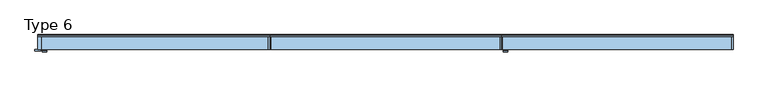
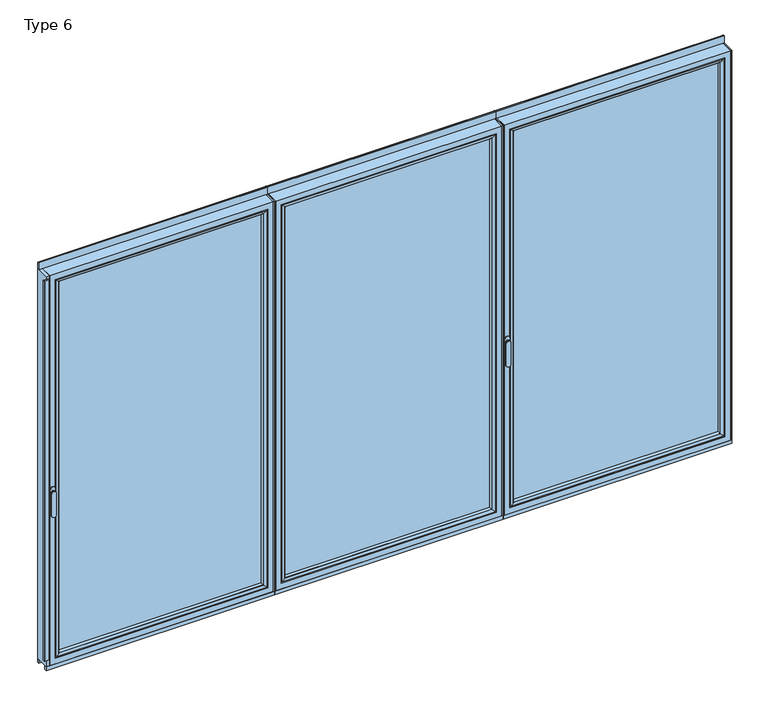
"""IFC4 building model written with IfcOpenShell, lengths in millimetres: window geometry, Type 6."""

from ifc_helpers import new_model, si_unit, point, frame, frame_2d, origin, place, context, project, spatial, polyline, circle_curve, ellipse_curve, trimmed, segment, composite_curve, outline, extrude, source, transform, mapped, element, save
from ifc_brep_helpers import plane_surface, cylinder_surface, extruded_surface, advanced_brep


def type_6_b4552ec0(model_context):
    return source(origin(), model_context, "Body", "SolidModel", [
        advanced_brep(
        [(47.9886473, -63.5, 1050.0), (24.0113857, -63.5, 1050.0), (47.9886473, -66.8965533, 1050.0), (24.0113857, -66.8965533, 1050.0), (47.9886473, -74.5, 1050.0), (24.0113857, -74.5, 1050.0), (24.0113857, -74.5, 918.6867153), (47.9886473, -74.5, 918.6867153), (47.9886473, -66.8965533, 918.6867153), (24.0113857, -66.8965533, 918.6867153)],
        [
            (0, 1, circle_curve(frame((36.0000165, -63.5, 1050.0), z_axis=(0.0, 1.0, 0.0), x_axis=(-1.0, 0.0, 0.0)), 11.9886308)),
            (1, 0, circle_curve(frame((36.0000165, -63.5, 1050.0), z_axis=(0.0, 1.0, 0.0), x_axis=(-1.0, 0.0, 0.0)), 11.9886308)),
            (0, 2),
            (2, 3, circle_curve(frame((36.0000165, -66.8965533, 1050.0), z_axis=(0.0, 1.0, 0.0), x_axis=(-1.0, 0.0, 0.0)), 11.9886308)),
            (3, 1),
            (3, 2, circle_curve(frame((36.0000165, -66.8965533, 1050.0), z_axis=(0.0, 1.0, 0.0), x_axis=(-1.0, 0.0, 0.0)), 11.9886308)),
            (4, 5, circle_curve(frame((36.0000165, -74.5, 1050.0), z_axis=(0.0, -1.0, 0.0), x_axis=(-1.0, 0.0, 0.0)), 11.9886308)),
            (5, 6),
            (6, 7, ellipse_curve(frame((36.0000165, -74.5, 918.6867153), z_axis=(0.0, -1.0, 0.0), x_axis=(1.0, 0.0, 0.0)), 11.9886308, 7.9050795)),
            (7, 4),
            (2, 8),
            (8, 9, ellipse_curve(frame((36.0000165, -66.8965533, 918.6867153), z_axis=(0.0, 1.0, 0.0), x_axis=(1.0, 0.0, 0.0)), 11.9886308, 7.9050795)),
            (9, 3),
            (7, 8),
            (2, 4),
            (6, 9),
            (5, 3),
        ],
        [
            plane_surface(frame((24.0113857, -63.5, 1050.0), z_axis=(0.0, 1.0, 0.0), x_axis=(0.0, 0.0, -1.0))),
            cylinder_surface(frame((36.0000165, -63.5, 1050.0), z_axis=(0.0, -1.0, 0.0), x_axis=(-1.0, 0.0, 0.0)), 11.9886308),
            plane_surface(frame((47.9886473, -74.5, 928.3382074), z_axis=(0.0, -1.0, 0.0), x_axis=(0.0, 0.0, -1.0))),
            plane_surface(frame((47.9886473, -66.8965533, 928.3382074), z_axis=(0.0, 1.0, 0.0), x_axis=(0.0, 0.0, 1.0))),
            plane_surface(frame((47.9886473, -74.5, 1050.0), z_axis=(1.0, 0.0, 0.0), x_axis=(0.0, 1.0, 0.0))),
            extruded_surface(trimmed(ellipse_curve(frame((36.0000165, -66.8965533, 918.6867153), z_axis=(0.0, 1.0, 0.0), x_axis=(1.0, 0.0, 0.0)), 11.9886308, 7.9050795), [point((47.9886473, -66.8965533, 918.6867153))], [point((24.0113857, -66.8965533, 918.6867153))], True, "CARTESIAN"), (0.0, 7.603446699999992, 0.0), 7.603446699999992),
            plane_surface(frame((24.0113857, -74.5, 918.6867153), z_axis=(-1.0, 0.0, 0.0), x_axis=(0.0, 1.0, 0.0))),
            cylinder_surface(frame((36.0000165, -66.8965533, 1050.0), z_axis=(0.0, -1.0, 0.0), x_axis=(-1.0, 0.0, 0.0)), 11.9886308),
        ],
        [
            (0, [[1, 2]]),
            (1, [[3, 4, 5, -1]]),
            (1, [[-5, 6, -3, -2]]),
            (2, [[7, 8, 9, 10]]),
            (3, [[-4, 11, 12, 13]]),
            (4, [[14, -11, 15, -10]]),
            (5, [[16, -12, -14, -9]]),
            (6, [[17, -13, -16, -8]]),
            (7, [[-15, -6, -17, -7]]),
        ],
    ),
        extrude(outline(composite_curve([segment(trimmed(circle_curve(frame_2d((1068.75, 36.0000165)), 14.0), [point((1068.75, 50.0000165))], [point((1068.75, 22.0000165))], False, "CARTESIAN"), True, "CONTINUOUS"), segment(polyline([(1068.75, 22.0000165), (1031.25, 22.0000165)]), True, "CONTINUOUS"), segment(trimmed(circle_curve(frame_2d((1031.25, 36.0000165)), 14.0), [point((1031.25, 22.0000165))], [point((1031.25, 50.0000165))], False, "CARTESIAN"), True, "CONTINUOUS"), segment(polyline([(1031.25, 50.0000165), (1068.75, 50.0000165)]), True, "CONTINUOUS")], self_intersect=False)), frame((0.0, -63.5, 0.0), z_axis=(0.0, 1.0, 0.0), x_axis=(0.0, 0.0, 1.0)), (0.0, 0.0, 1.0), 3.5),
        extrude(outline(composite_curve([segment(polyline([(15.5000165, -60.0), (15.5000165, -67.5)]), True, "CONTINUOUS"), segment(trimmed(circle_curve(frame_2d((13.0000165, -67.5)), 2.5), [point((15.5000165, -67.5))], [point((13.0000165, -70.0))], False, "CARTESIAN"), True, "CONTINUOUS"), segment(polyline([(13.0000165, -70.0), (-12.9999835, -70.0)]), True, "CONTINUOUS"), segment(trimmed(circle_curve(frame_2d((-12.9999835, -67.5)), 2.5), [point((-12.9999835, -70.0))], [point((-15.4999835, -67.5))], False, "CARTESIAN"), True, "CONTINUOUS"), segment(polyline([(-15.4999835, -67.5), (-15.4999835, -60.0), (15.5000165, -60.0)]), True, "CONTINUOUS")], self_intersect=False)), frame((0.0, 0.0, 80.0), z_axis=(0.0, 0.0, 1.0), x_axis=(1.0, 0.0, 0.0)), (0.0, 0.0, 1.0), 2230.0),
        extrude(outline(polyline([(1268.6666832, 20.0), (1268.6666832, -60.0), (1262.6666832, -60.0), (1262.6666832, 20.0), (1268.6666832, 20.0)])), frame((0.0, 0.0, 37.5), z_axis=(0.0, 0.0, 1.0), x_axis=(1.0, 0.0, 0.0)), (0.0, 0.0, 1.0), 2286.5),
        extrude(outline(polyline([(1.65e-05, 20.0), (20.0000165, 20.0), (20.0000165, -60.0), (1.65e-05, -60.0), (1.65e-05, 20.0)])), frame((0.0, 0.0, 37.5), z_axis=(0.0, 0.0, 1.0), x_axis=(1.0, 0.0, 0.0)), (0.0, 0.0, 1.0), 2286.5),
        advanced_brep(
        [(1262.6666832, -60.0, 2324.0), (1262.6666832, -60.0, 37.5), (1262.6666832, 20.0, 37.5), (1262.6666832, 20.0, 2324.0), (20.0000165, -60.0, 37.5), (20.0000165, 20.0, 37.5), (20.0000165, 20.0, 2324.0), (65.4996458, 20.0, 82.9996293), (1217.1670539, 20.0, 82.9996293), (1217.1670539, 20.0, 2278.5003707), (65.4996458, 20.0, 2278.5003707), (20.0000165, -60.0, 2324.0), (1230.6666832, -60.0, 69.5), (52.0000165, -60.0, 69.5), (52.0000165, -60.0, 2292.0), (1230.6666832, -60.0, 2292.0), (1230.6666832, 3.9999997, 2292.0), (1230.6666832, 3.9999997, 69.5), (52.0000165, 3.9999997, 69.5), (52.0000165, 3.9999997, 2292.0), (1212.6666712, 3.9999997, 87.500012), (70.0000285, 3.9999997, 87.500012), (70.0000285, 3.9999997, 2273.999988), (1212.6666712, 3.9999997, 2273.999988), (1212.6666712, 15.4995565, 2273.999988), (1212.6666712, 15.4995565, 87.500012), (70.0000285, 15.4995565, 87.500012), (70.0000285, 15.4995565, 2273.999988)],
        [
            (0, 1),
            (1, 2),
            (2, 3),
            (3, 0),
            (1, 4),
            (4, 5),
            (5, 2),
            (5, 6),
            (6, 3),
            (7, 8),
            (8, 9),
            (9, 10),
            (10, 7),
            (4, 11),
            (11, 6),
            (0, 11),
            (12, 13),
            (13, 14),
            (14, 15),
            (15, 12),
            (16, 17),
            (17, 12),
            (15, 16),
            (17, 18),
            (18, 13),
            (18, 19),
            (19, 14),
            (16, 19),
            (20, 21),
            (21, 22),
            (22, 23),
            (23, 20),
            (24, 25),
            (25, 20),
            (23, 24),
            (25, 26),
            (26, 21),
            (26, 27),
            (27, 22),
            (7, 26, ellipse_curve(frame((65.4996458, 15.4995565, 82.9996293), z_axis=(0.7071067811865475, 0.0, -0.7071067811865475), x_axis=(0.7071067811865476, 0.0, 0.7071067811865474)), 6.3645023, 4.5003827)),
            (25, 8, ellipse_curve(frame((1217.1670539, 15.4995565, 82.9996293), z_axis=(-0.7071067811865475, 0.0, -0.7071067811865475), x_axis=(0.7071067811865476, 0.0, -0.7071067811865474)), 6.3645023, 4.5003827)),
            (24, 9, ellipse_curve(frame((1217.1670539, 15.4995565, 2278.5003707), z_axis=(0.7071067811865475, 0.0, -0.7071067811865475), x_axis=(0.7071067811865474, 0.0, 0.7071067811865476)), 6.3645023, 4.5003827)),
            (10, 27, ellipse_curve(frame((65.4996458, 15.4995565, 2278.5003707), z_axis=(-0.7071067811865475, 0.0, -0.7071067811865475), x_axis=(0.7071067811865474, 0.0, -0.7071067811865476)), 6.3645023, 4.5003827)),
            (27, 24),
        ],
        [
            plane_surface(frame((1262.6666832, 20.0, 2324.0), z_axis=(1.0, 0.0, 0.0), x_axis=(0.0, 0.0, -1.0))),
            plane_surface(frame((1262.6666832, 20.0, 37.5), z_axis=(0.0, 0.0, -1.0), x_axis=(-1.0, 0.0, 0.0))),
            plane_surface(frame((1217.1670539, 20.0, 2278.5003707), z_axis=(0.0, 1.0, 0.0), x_axis=(0.0, 0.0, -1.0))),
            plane_surface(frame((20.0000165, 20.0, 37.5), z_axis=(-1.0, 0.0, 0.0), x_axis=(0.0, 0.0, 1.0))),
            plane_surface(frame((1262.6666832, -60.0, 2324.0), z_axis=(0.0, -1.0, 0.0), x_axis=(0.0, 0.0, -1.0))),
            plane_surface(frame((1230.6666832, -60.0, 2292.0), z_axis=(-1.0, 0.0, 0.0), x_axis=(0.0, 0.0, -1.0))),
            plane_surface(frame((1230.6666832, -60.0, 69.5), z_axis=(0.0, 0.0, 1.0), x_axis=(-1.0, 0.0, 0.0))),
            plane_surface(frame((52.0000165, -60.0, 69.5), z_axis=(1.0, 0.0, 0.0), x_axis=(0.0, 0.0, 1.0))),
            plane_surface(frame((1230.6666832, 3.9999997, 2292.0), z_axis=(0.0, -1.0, 0.0), x_axis=(0.0, 0.0, -1.0))),
            plane_surface(frame((1212.6666712, 3.9999997, 2273.999988), z_axis=(-1.0, 0.0, 0.0), x_axis=(0.0, 0.0, -1.0))),
            plane_surface(frame((1212.6666712, 3.9999997, 87.500012), z_axis=(0.0, 0.0, 1.0), x_axis=(-1.0, 0.0, 0.0))),
            plane_surface(frame((70.0000285, 3.9999997, 87.500012), z_axis=(1.0, 0.0, 0.0), x_axis=(0.0, 0.0, 1.0))),
            cylinder_surface(frame((1268.6666832, 15.4995565, 82.9996293), z_axis=(1.0, 0.0, 0.0), x_axis=(0.0, -1.0, 0.0)), 4.5003827),
            cylinder_surface(frame((1217.1670539, 15.4995565, 2330.0), z_axis=(0.0, 0.0, 1.0), x_axis=(0.0, -1.0, 0.0)), 4.5003827),
            cylinder_surface(frame((65.4996458, 15.4995565, 31.5), z_axis=(0.0, 0.0, -1.0), x_axis=(0.0, -1.0, 0.0)), 4.5003827),
            plane_surface(frame((20.0000165, 20.0, 2324.0), z_axis=(0.0, 0.0, 1.0), x_axis=(1.0, 0.0, 0.0))),
            plane_surface(frame((52.0000165, -60.0, 2292.0), z_axis=(0.0, 0.0, -1.0), x_axis=(1.0, 0.0, 0.0))),
            plane_surface(frame((70.0000285, 3.9999997, 2273.999988), z_axis=(0.0, 0.0, -1.0), x_axis=(1.0, 0.0, 0.0))),
            cylinder_surface(frame((14.0000165, 15.4995565, 2278.5003707), z_axis=(-1.0, 0.0, 0.0), x_axis=(0.0, -1.0, 0.0)), 4.5003827),
        ],
        [
            (0, [[1, 2, 3, 4]]),
            (1, [[5, 6, 7, -2]]),
            (2, [[-7, 8, 9, -3], [10, 11, 12, 13]]),
            (3, [[14, 15, -8, -6]]),
            (4, [[-5, -1, 16, -14], [17, 18, 19, 20]]),
            (5, [[21, 22, -20, 23]]),
            (6, [[24, 25, -17, -22]]),
            (7, [[26, 27, -18, -25]]),
            (8, [[-24, -21, 28, -26], [29, 30, 31, 32]]),
            (9, [[33, 34, -32, 35]]),
            (10, [[36, 37, -29, -34]]),
            (11, [[38, 39, -30, -37]]),
            (12, [[-10, 40, -36, 41]]),
            (13, [[-11, -41, -33, 42]]),
            (14, [[-13, 43, -38, -40]]),
            (15, [[-16, -4, -9, -15]]),
            (16, [[-28, -23, -19, -27]]),
            (17, [[44, -35, -31, -39]]),
            (18, [[-12, -42, -44, -43]]),
        ],
    ),
        extrude(outline(polyline([(1230.666366, 3.9999997), (1230.666366, -34.0000003), (52.0003337, -34.0000003), (52.0003337, 3.9999997), (1230.666366, 3.9999997)])), frame((0.0, 0.0, 69.5003172), z_axis=(0.0, 0.0, 1.0), x_axis=(1.0, 0.0, 0.0)), (0.0, 0.0, 1.0), 2222.4993657),
        advanced_brep(
        [(73.9999064, -54.5552044, 2270.0001101), (73.9999064, -54.5552044, 91.4998899), (73.9999064, -34.0000003, 91.4998899), (73.9999064, -34.0000003, 2270.0001101), (52.0003337, -34.0000003, 2291.9996828), (1230.666366, -34.0000003, 2291.9996828), (1230.666366, -34.0000003, 69.5003172), (52.0003337, -34.0000003, 69.5003172), (1208.6667933, -34.0000003, 2270.0001101), (1208.6667933, -34.0000003, 91.4998899), (1208.6667933, -54.5552044, 91.4998899), (73.290363, -55.8045072, 2270.7096535), (73.290363, -55.8045072, 90.7903465), (1209.3763367, -55.8045072, 90.7903465), (58.0002726, -60.0, 2285.9997439), (58.0002726, -60.0, 75.5002561), (1224.6664271, -60.0, 75.5002561), (1230.666366, -60.0, 2291.9996828), (52.0003337, -60.0, 2291.9996828), (52.0003337, -60.0, 69.5003172), (1230.666366, -60.0, 69.5003172), (1224.6664271, -60.0, 2285.9997439), (1208.6667933, -54.5552044, 2270.0001101), (1209.3763367, -55.8045072, 2270.7096535)],
        [
            (0, 1),
            (1, 2),
            (2, 3),
            (3, 0),
            (4, 5),
            (5, 6),
            (6, 7),
            (7, 4),
            (8, 3),
            (2, 9),
            (9, 8),
            (1, 10),
            (10, 9),
            (11, 12),
            (12, 1, ellipse_curve(frame((72.5453024, -54.5552044, 90.0452859), z_axis=(-0.7071067811865475, 0.0, 0.7071067811865475), x_axis=(0.7071067811865474, 0.0, 0.7071067811865476)), 2.0571207, 1.454604)),
            (0, 11, ellipse_curve(frame((72.5453024, -54.5552044, 2271.4547141), z_axis=(-0.7071067811865475, 0.0, -0.7071067811865475), x_axis=(-0.7071067811865474, 0.0, 0.7071067811865476)), 2.0571207, 1.454604)),
            (12, 13),
            (13, 10, ellipse_curve(frame((1210.1213972, -54.5552044, 90.0452859), z_axis=(-0.7071067811865475, 0.0, -0.7071067811865475), x_axis=(-0.7071067811865476, 0.0, 0.7071067811865474)), 2.0571207, 1.454604)),
            (14, 15),
            (15, 12, ellipse_curve(frame((58.0642082, -30.2735922, 75.5641917), z_axis=(-0.7071067811865475, 0.0, 0.7071067811865475), x_axis=(0.7071067811865474, 0.0, 0.7071067811865476)), 42.0395863, 29.7264765)),
            (11, 14, ellipse_curve(frame((58.0642082, -30.2735922, 2285.9358083), z_axis=(-0.7071067811865475, 0.0, -0.7071067811865475), x_axis=(-0.7071067811865474, 0.0, 0.7071067811865476)), 42.0395863, 29.7264765)),
            (15, 16),
            (16, 13, ellipse_curve(frame((1224.6024915, -30.2735922, 75.5641917), z_axis=(-0.7071067811865475, 0.0, -0.7071067811865475), x_axis=(-0.7071067811865476, 0.0, 0.7071067811865474)), 42.0395863, 29.7264765)),
            (17, 18),
            (18, 19),
            (19, 20),
            (20, 17),
            (14, 21),
            (21, 16),
            (7, 19),
            (18, 4),
            (6, 20),
            (10, 22),
            (22, 8),
            (13, 23),
            (23, 22, ellipse_curve(frame((1210.1213972, -54.5552044, 2271.4547141), z_axis=(0.7071067811865475, 0.0, -0.7071067811865475), x_axis=(-0.7071067811865474, 0.0, -0.7071067811865476)), 2.0571207, 1.454604)),
            (21, 23, ellipse_curve(frame((1224.6024915, -30.2735922, 2285.9358083), z_axis=(0.7071067811865475, 0.0, -0.7071067811865475), x_axis=(-0.7071067811865474, 0.0, -0.7071067811865476)), 42.0395863, 29.7264765)),
            (5, 17),
            (22, 0),
            (23, 11),
        ],
        [
            plane_surface(frame((73.9999064, -34.0000003, 2270.0001101), z_axis=(1.0, 0.0, 0.0), x_axis=(0.0, 0.0, -1.0))),
            plane_surface(frame((1230.666366, -34.0000003, 69.5003172), z_axis=(0.0, 1.0, 0.0), x_axis=(0.0, 0.0, 1.0))),
            plane_surface(frame((73.9999064, -34.0000003, 91.4998899), z_axis=(0.0, 0.0, 1.0), x_axis=(1.0, 0.0, 0.0))),
            cylinder_surface(frame((72.5453024, -54.5552044, 2273.999988), z_axis=(0.0, 0.0, 1.0), x_axis=(-1.0, 0.0, 0.0)), 1.454604),
            cylinder_surface(frame((70.0000285, -54.5552044, 90.0452859), z_axis=(-1.0, 0.0, 0.0), x_axis=(0.0, 0.0, -1.0)), 1.454604),
            cylinder_surface(frame((58.0642082, -30.2735922, 2273.999988), z_axis=(0.0, 0.0, 1.0), x_axis=(-1.0, 0.0, 0.0)), 29.7264765),
            cylinder_surface(frame((70.0000285, -30.2735922, 75.5641917), z_axis=(-1.0, 0.0, 0.0), x_axis=(0.0, 0.0, -1.0)), 29.7264765),
            plane_surface(frame((1224.6664271, -60.0, 75.5002561), z_axis=(0.0, -1.0, 0.0), x_axis=(0.0, 0.0, 1.0))),
            plane_surface(frame((52.0003337, -60.0, 2291.9996828), z_axis=(-1.0, 0.0, 0.0), x_axis=(0.0, 0.0, -1.0))),
            plane_surface(frame((52.0003337, -60.0, 69.5003172), z_axis=(0.0, 0.0, -1.0), x_axis=(1.0, 0.0, 0.0))),
            plane_surface(frame((1208.6667933, -34.0000003, 91.4998899), z_axis=(-1.0, 0.0, 0.0), x_axis=(0.0, 0.0, 1.0))),
            cylinder_surface(frame((1210.1213972, -54.5552044, 87.500012), z_axis=(0.0, 0.0, -1.0), x_axis=(1.0, 0.0, 0.0)), 1.454604),
            cylinder_surface(frame((1224.6024915, -30.2735922, 87.500012), z_axis=(0.0, 0.0, -1.0), x_axis=(1.0, 0.0, 0.0)), 29.7264765),
            plane_surface(frame((1230.666366, -60.0, 69.5003172), z_axis=(1.0, 0.0, 0.0), x_axis=(0.0, 0.0, 1.0))),
            plane_surface(frame((1208.6667933, -34.0000003, 2270.0001101), z_axis=(0.0, 0.0, -1.0), x_axis=(-1.0, 0.0, 0.0))),
            cylinder_surface(frame((1212.6666712, -54.5552044, 2271.4547141), z_axis=(1.0, 0.0, 0.0), x_axis=(0.0, 0.0, 1.0)), 1.454604),
            cylinder_surface(frame((1212.6666712, -30.2735922, 2285.9358083), z_axis=(1.0, 0.0, 0.0), x_axis=(0.0, 0.0, 1.0)), 29.7264765),
            plane_surface(frame((1230.666366, -60.0, 2291.9996828), z_axis=(0.0, 0.0, 1.0), x_axis=(-1.0, 0.0, 0.0))),
        ],
        [
            (0, [[1, 2, 3, 4]]),
            (1, [[5, 6, 7, 8], [9, -3, 10, 11]]),
            (2, [[12, 13, -10, -2]]),
            (3, [[14, 15, -1, 16]]),
            (4, [[17, 18, -12, -15]]),
            (5, [[19, 20, -14, 21]]),
            (6, [[22, 23, -17, -20]]),
            (7, [[24, 25, 26, 27], [28, 29, -22, -19]]),
            (8, [[-8, 30, -25, 31]]),
            (9, [[-7, 32, -26, -30]]),
            (10, [[33, 34, -11, -13]]),
            (11, [[35, 36, -33, -18]]),
            (12, [[-29, 37, -35, -23]]),
            (13, [[-6, 38, -27, -32]]),
            (14, [[39, -4, -9, -34]]),
            (15, [[40, -16, -39, -36]]),
            (16, [[-28, -21, -40, -37]]),
            (17, [[-5, -31, -24, -38]]),
        ],
    ),
        extrude(outline(composite_curve([segment(polyline([(20.0, 2362.5), (20.0, 2324.0), (10.0, 2324.0), (10.0, 2365.0), (17.5, 2365.0)]), True, "CONTINUOUS"), segment(trimmed(circle_curve(frame_2d((17.5, 2362.5)), 2.5), [point((17.5, 2365.0))], [point((20.0, 2362.5))], False, "CARTESIAN"), True, "CONTINUOUS")], self_intersect=False)), frame((1.65e-05, 0.0, 0.0), z_axis=(1.0, 0.0, 0.0), x_axis=(0.0, 1.0, 0.0)), (0.0, 0.0, 1.0), 1268.6666667),
        extrude(outline(polyline([(1.65e-05, 20.0), (1268.6666832, 20.0), (1268.6666832, 10.0), (1.65e-05, 10.0), (1.65e-05, 20.0)])), frame((0.0, 0.0, 15.5), z_axis=(0.0, 0.0, 1.0), x_axis=(1.0, 0.0, 0.0)), (0.0, 0.0, 1.0), 22.0),
        extrude(outline(polyline([(1.65e-05, -50.0), (1268.6666832, -50.0), (1268.6666832, -60.0), (1.65e-05, -60.0), (1.65e-05, -50.0)])), frame((0.0, 0.0, 15.5), z_axis=(0.0, 0.0, 1.0), x_axis=(1.0, 0.0, 0.0)), (0.0, 0.0, 1.0), 22.0),
        extrude(outline(polyline([(1268.6666749, 20.0), (1274.6666749, 20.0), (1274.6666749, -60.0), (1268.6666749, -60.0), (1268.6666749, 20.0)])), frame((0.0, 0.0, 37.5), z_axis=(0.0, 0.0, 1.0), x_axis=(1.0, 0.0, 0.0)), (0.0, 0.0, 1.0), 2286.5),
        extrude(outline(polyline([(2537.3333416, 20.0), (2537.3333416, -60.0), (2531.3333416, -60.0), (2531.3333416, 20.0), (2537.3333416, 20.0)])), frame((0.0, 0.0, 37.5), z_axis=(0.0, 0.0, 1.0), x_axis=(1.0, 0.0, 0.0)), (0.0, 0.0, 1.0), 2286.5),
        advanced_brep(
        [(1274.6666749, -60.0, 2324.0), (1274.6666749, 20.0, 2324.0), (1274.6666749, 20.0, 37.5), (1274.6666749, -60.0, 37.5), (2531.3333416, 20.0, 37.5), (2531.3333416, -60.0, 37.5), (2531.3333416, 20.0, 2324.0), (2485.8337123, 20.0, 82.9996293), (2485.8337123, 20.0, 2278.5003707), (1320.1663042, 20.0, 2278.5003707), (1320.1663042, 20.0, 82.9996293), (2531.3333416, -60.0, 2324.0), (1306.6666749, -60.0, 69.5), (1306.6666749, -60.0, 2292.0), (2499.3333416, -60.0, 2292.0), (2499.3333416, -60.0, 69.5), (1306.6666749, 3.9999997, 2292.0), (1306.6666749, 3.9999997, 69.5), (2499.3333416, 3.9999997, 69.5), (2499.3333416, 3.9999997, 2292.0), (1324.6666869, 3.9999997, 87.500012), (1324.6666869, 3.9999997, 2273.999988), (2481.3333296, 3.9999997, 2273.999988), (2481.3333296, 3.9999997, 87.500012), (1324.6666869, 15.4995565, 2273.999988), (1324.6666869, 15.4995565, 87.500012), (2481.3333296, 15.4995565, 87.500012), (2481.3333296, 15.4995565, 2273.999988)],
        [
            (0, 1),
            (1, 2),
            (2, 3),
            (3, 0),
            (2, 4),
            (4, 5),
            (5, 3),
            (1, 6),
            (6, 4),
            (7, 8),
            (8, 9),
            (9, 10),
            (10, 7),
            (6, 11),
            (11, 5),
            (11, 0),
            (12, 13),
            (13, 14),
            (14, 15),
            (15, 12),
            (16, 13),
            (12, 17),
            (17, 16),
            (15, 18),
            (18, 17),
            (14, 19),
            (19, 18),
            (19, 16),
            (20, 21),
            (21, 22),
            (22, 23),
            (23, 20),
            (24, 21),
            (20, 25),
            (25, 24),
            (23, 26),
            (26, 25),
            (22, 27),
            (27, 26),
            (10, 25, ellipse_curve(frame((1320.1663042, 15.4995565, 82.9996293), z_axis=(0.7071067811865475, 0.0, -0.7071067811865475), x_axis=(-0.7071067811865476, 0.0, -0.7071067811865474)), 6.3645023, 4.5003827)),
            (26, 7, ellipse_curve(frame((2485.8337123, 15.4995565, 82.9996293), z_axis=(-0.7071067811865475, 0.0, -0.7071067811865475), x_axis=(-0.7071067811865476, 0.0, 0.7071067811865474)), 6.3645023, 4.5003827)),
            (9, 24, ellipse_curve(frame((1320.1663042, 15.4995565, 2278.5003707), z_axis=(-0.7071067811865475, 0.0, -0.7071067811865475), x_axis=(-0.7071067811865474, 0.0, 0.7071067811865476)), 6.3645023, 4.5003827)),
            (27, 8, ellipse_curve(frame((2485.8337123, 15.4995565, 2278.5003707), z_axis=(0.7071067811865475, 0.0, -0.7071067811865475), x_axis=(-0.7071067811865474, 0.0, -0.7071067811865476)), 6.3645023, 4.5003827)),
            (24, 27),
        ],
        [
            plane_surface(frame((1274.6666749, 20.0, 2324.0), z_axis=(-1.0, 0.0, 0.0), x_axis=(0.0, 0.0, -1.0))),
            plane_surface(frame((1274.6666749, 20.0, 37.5), z_axis=(0.0, 0.0, -1.0), x_axis=(1.0, 0.0, 0.0))),
            plane_surface(frame((1320.1663042, 20.0, 2278.5003707), z_axis=(0.0, 1.0, 0.0), x_axis=(0.0, 0.0, -1.0))),
            plane_surface(frame((2531.3333416, 20.0, 37.5), z_axis=(1.0, 0.0, 0.0), x_axis=(0.0, 0.0, 1.0))),
            plane_surface(frame((1274.6666749, -60.0, 2324.0), z_axis=(0.0, -1.0, 0.0), x_axis=(0.0, 0.0, -1.0))),
            plane_surface(frame((1306.6666749, -60.0, 2292.0), z_axis=(1.0, 0.0, 0.0), x_axis=(0.0, 0.0, -1.0))),
            plane_surface(frame((1306.6666749, -60.0, 69.5), z_axis=(0.0, 0.0, 1.0), x_axis=(1.0, 0.0, 0.0))),
            plane_surface(frame((2499.3333416, -60.0, 69.5), z_axis=(-1.0, 0.0, 0.0), x_axis=(0.0, 0.0, 1.0))),
            plane_surface(frame((1306.6666749, 3.9999997, 2292.0), z_axis=(0.0, -1.0, 0.0), x_axis=(0.0, 0.0, -1.0))),
            plane_surface(frame((1324.6666869, 3.9999997, 2273.999988), z_axis=(1.0, 0.0, 0.0), x_axis=(0.0, 0.0, -1.0))),
            plane_surface(frame((1324.6666869, 3.9999997, 87.500012), z_axis=(0.0, 0.0, 1.0), x_axis=(1.0, 0.0, 0.0))),
            plane_surface(frame((2481.3333296, 3.9999997, 87.500012), z_axis=(-1.0, 0.0, 0.0), x_axis=(0.0, 0.0, 1.0))),
            cylinder_surface(frame((1268.6666749, 15.4995565, 82.9996293), z_axis=(-1.0, 0.0, 0.0), x_axis=(0.0, -1.0, 0.0)), 4.5003827),
            cylinder_surface(frame((1320.1663042, 15.4995565, 2330.0), z_axis=(0.0, 0.0, 1.0), x_axis=(0.0, -1.0, 0.0)), 4.5003827),
            cylinder_surface(frame((2485.8337123, 15.4995565, 31.5), z_axis=(0.0, 0.0, -1.0), x_axis=(0.0, -1.0, 0.0)), 4.5003827),
            plane_surface(frame((2531.3333416, 20.0, 2324.0), z_axis=(0.0, 0.0, 1.0), x_axis=(-1.0, 0.0, 0.0))),
            plane_surface(frame((2499.3333416, -60.0, 2292.0), z_axis=(0.0, 0.0, -1.0), x_axis=(-1.0, 0.0, 0.0))),
            plane_surface(frame((2481.3333296, 3.9999997, 2273.999988), z_axis=(0.0, 0.0, -1.0), x_axis=(-1.0, 0.0, 0.0))),
            cylinder_surface(frame((2537.3333416, 15.4995565, 2278.5003707), z_axis=(1.0, 0.0, 0.0), x_axis=(0.0, -1.0, 0.0)), 4.5003827),
        ],
        [
            (0, [[1, 2, 3, 4]]),
            (1, [[-3, 5, 6, 7]]),
            (2, [[-2, 8, 9, -5], [10, 11, 12, 13]]),
            (3, [[-6, -9, 14, 15]]),
            (4, [[-15, 16, -4, -7], [17, 18, 19, 20]]),
            (5, [[21, -17, 22, 23]]),
            (6, [[-22, -20, 24, 25]]),
            (7, [[-24, -19, 26, 27]]),
            (8, [[-27, 28, -23, -25], [29, 30, 31, 32]]),
            (9, [[33, -29, 34, 35]]),
            (10, [[-34, -32, 36, 37]]),
            (11, [[-36, -31, 38, 39]]),
            (12, [[40, -37, 41, -13]]),
            (13, [[42, -35, -40, -12]]),
            (14, [[-41, -39, 43, -10]]),
            (15, [[-14, -8, -1, -16]]),
            (16, [[-26, -18, -21, -28]]),
            (17, [[-38, -30, -33, 44]]),
            (18, [[-43, -44, -42, -11]]),
        ],
    ),
        extrude(outline(polyline([(1306.6669921, 3.9999997), (2499.3330244, 3.9999997), (2499.3330244, -34.0000003), (1306.6669921, -34.0000003), (1306.6669921, 3.9999997)])), frame((0.0, 0.0, 69.5003172), z_axis=(0.0, 0.0, 1.0), x_axis=(1.0, 0.0, 0.0)), (0.0, 0.0, 1.0), 2222.4993657),
        advanced_brep(
        [(2477.3334517, -54.5552044, 2270.0001101), (2477.3334517, -34.0000003, 2270.0001101), (2477.3334517, -34.0000003, 91.4998899), (2477.3334517, -54.5552044, 91.4998899), (2499.3330244, -34.0000003, 2291.9996828), (2499.3330244, -34.0000003, 69.5003172), (1306.6669921, -34.0000003, 69.5003172), (1306.6669921, -34.0000003, 2291.9996828), (1328.6665648, -34.0000003, 2270.0001101), (1328.6665648, -34.0000003, 91.4998899), (1328.6665648, -54.5552044, 91.4998899), (2478.0429951, -55.8045072, 2270.7096535), (2478.0429951, -55.8045072, 90.7903465), (1327.9570214, -55.8045072, 90.7903465), (2493.3330855, -60.0, 2285.9997439), (2493.3330855, -60.0, 75.5002561), (1312.666931, -60.0, 75.5002561), (1306.6669921, -60.0, 2291.9996828), (1306.6669921, -60.0, 69.5003172), (2499.3330244, -60.0, 69.5003172), (2499.3330244, -60.0, 2291.9996828), (1312.666931, -60.0, 2285.9997439), (1328.6665648, -54.5552044, 2270.0001101), (1327.9570214, -55.8045072, 2270.7096535)],
        [
            (0, 1),
            (1, 2),
            (2, 3),
            (3, 0),
            (4, 5),
            (5, 6),
            (6, 7),
            (7, 4),
            (8, 9),
            (9, 2),
            (1, 8),
            (9, 10),
            (10, 3),
            (11, 0, ellipse_curve(frame((2478.7880557, -54.5552044, 2271.4547141), z_axis=(0.7071067811865475, 0.0, -0.7071067811865475), x_axis=(0.7071067811865474, 0.0, 0.7071067811865476)), 2.0571207, 1.454604)),
            (3, 12, ellipse_curve(frame((2478.7880557, -54.5552044, 90.0452859), z_axis=(0.7071067811865475, 0.0, 0.7071067811865475), x_axis=(-0.7071067811865474, 0.0, 0.7071067811865476)), 2.0571207, 1.454604)),
            (12, 11),
            (10, 13, ellipse_curve(frame((1327.2119609, -54.5552044, 90.0452859), z_axis=(0.7071067811865475, 0.0, -0.7071067811865475), x_axis=(0.7071067811865476, 0.0, 0.7071067811865474)), 2.0571207, 1.454604)),
            (13, 12),
            (14, 11, ellipse_curve(frame((2493.2691499, -30.2735922, 2285.9358083), z_axis=(0.7071067811865475, 0.0, -0.7071067811865475), x_axis=(0.7071067811865474, 0.0, 0.7071067811865476)), 42.0395863, 29.7264765)),
            (12, 15, ellipse_curve(frame((2493.2691499, -30.2735922, 75.5641917), z_axis=(0.7071067811865475, 0.0, 0.7071067811865475), x_axis=(-0.7071067811865474, 0.0, 0.7071067811865476)), 42.0395863, 29.7264765)),
            (15, 14),
            (13, 16, ellipse_curve(frame((1312.7308666, -30.2735922, 75.5641917), z_axis=(0.7071067811865475, 0.0, -0.7071067811865475), x_axis=(0.7071067811865476, 0.0, 0.7071067811865474)), 42.0395863, 29.7264765)),
            (16, 15),
            (17, 18),
            (18, 19),
            (19, 20),
            (20, 17),
            (16, 21),
            (21, 14),
            (4, 20),
            (19, 5),
            (18, 6),
            (8, 22),
            (22, 10),
            (22, 23, ellipse_curve(frame((1327.2119609, -54.5552044, 2271.4547141), z_axis=(-0.7071067811865475, 0.0, -0.7071067811865475), x_axis=(0.7071067811865474, 0.0, -0.7071067811865476)), 2.0571207, 1.454604)),
            (23, 13),
            (23, 21, ellipse_curve(frame((1312.7308666, -30.2735922, 2285.9358083), z_axis=(-0.7071067811865475, 0.0, -0.7071067811865475), x_axis=(0.7071067811865474, 0.0, -0.7071067811865476)), 42.0395863, 29.7264765)),
            (17, 7),
            (0, 22),
            (11, 23),
        ],
        [
            plane_surface(frame((2477.3334517, -34.0000003, 2270.0001101), z_axis=(-1.0, 0.0, 0.0), x_axis=(0.0, 0.0, -1.0))),
            plane_surface(frame((1306.6669921, -34.0000003, 69.5003172), z_axis=(0.0, 1.0, 0.0), x_axis=(0.0, 0.0, 1.0))),
            plane_surface(frame((2477.3334517, -34.0000003, 91.4998899), z_axis=(0.0, 0.0, 1.0), x_axis=(-1.0, 0.0, 0.0))),
            cylinder_surface(frame((2478.7880557, -54.5552044, 2273.999988), z_axis=(0.0, 0.0, 1.0), x_axis=(1.0, 0.0, 0.0)), 1.454604),
            cylinder_surface(frame((2481.3333296, -54.5552044, 90.0452859), z_axis=(1.0, 0.0, 0.0), x_axis=(0.0, 0.0, -1.0)), 1.454604),
            cylinder_surface(frame((2493.2691499, -30.2735922, 2273.999988), z_axis=(0.0, 0.0, 1.0), x_axis=(1.0, 0.0, 0.0)), 29.7264765),
            cylinder_surface(frame((2481.3333296, -30.2735922, 75.5641917), z_axis=(1.0, 0.0, 0.0), x_axis=(0.0, 0.0, -1.0)), 29.7264765),
            plane_surface(frame((1312.666931, -60.0, 75.5002561), z_axis=(0.0, -1.0, 0.0), x_axis=(0.0, 0.0, 1.0))),
            plane_surface(frame((2499.3330244, -60.0, 2291.9996828), z_axis=(1.0, 0.0, 0.0), x_axis=(0.0, 0.0, -1.0))),
            plane_surface(frame((2499.3330244, -60.0, 69.5003172), z_axis=(0.0, 0.0, -1.0), x_axis=(-1.0, 0.0, 0.0))),
            plane_surface(frame((1328.6665648, -34.0000003, 91.4998899), z_axis=(1.0, 0.0, 0.0), x_axis=(0.0, 0.0, 1.0))),
            cylinder_surface(frame((1327.2119609, -54.5552044, 87.500012), z_axis=(0.0, 0.0, -1.0), x_axis=(-1.0, 0.0, 0.0)), 1.454604),
            cylinder_surface(frame((1312.7308666, -30.2735922, 87.500012), z_axis=(0.0, 0.0, -1.0), x_axis=(-1.0, 0.0, 0.0)), 29.7264765),
            plane_surface(frame((1306.6669921, -60.0, 69.5003172), z_axis=(-1.0, 0.0, 0.0), x_axis=(0.0, 0.0, 1.0))),
            plane_surface(frame((1328.6665648, -34.0000003, 2270.0001101), z_axis=(0.0, 0.0, -1.0), x_axis=(1.0, 0.0, 0.0))),
            cylinder_surface(frame((1324.6666869, -54.5552044, 2271.4547141), z_axis=(-1.0, 0.0, 0.0), x_axis=(0.0, 0.0, 1.0)), 1.454604),
            cylinder_surface(frame((1324.6666869, -30.2735922, 2285.9358083), z_axis=(-1.0, 0.0, 0.0), x_axis=(0.0, 0.0, 1.0)), 29.7264765),
            plane_surface(frame((1306.6669921, -60.0, 2291.9996828), z_axis=(0.0, 0.0, 1.0), x_axis=(1.0, 0.0, 0.0))),
        ],
        [
            (0, [[1, 2, 3, 4]]),
            (1, [[5, 6, 7, 8], [9, 10, -2, 11]]),
            (2, [[-3, -10, 12, 13]]),
            (3, [[14, -4, 15, 16]]),
            (4, [[-15, -13, 17, 18]]),
            (5, [[19, -16, 20, 21]]),
            (6, [[-20, -18, 22, 23]]),
            (7, [[24, 25, 26, 27], [-21, -23, 28, 29]]),
            (8, [[30, -26, 31, -5]]),
            (9, [[-31, -25, 32, -6]]),
            (10, [[-12, -9, 33, 34]]),
            (11, [[-17, -34, 35, 36]]),
            (12, [[-22, -36, 37, -28]]),
            (13, [[-32, -24, 38, -7]]),
            (14, [[-33, -11, -1, 39]]),
            (15, [[-35, -39, -14, 40]]),
            (16, [[-37, -40, -19, -29]]),
            (17, [[-38, -27, -30, -8]]),
        ],
    ),
        extrude(outline(composite_curve([segment(polyline([(20.0, 2362.5), (20.0, 2324.0), (10.0, 2324.0), (10.0, 2365.0), (17.5, 2365.0)]), True, "CONTINUOUS"), segment(trimmed(circle_curve(frame_2d((17.5, 2362.5)), 2.5), [point((17.5, 2365.0))], [point((20.0, 2362.5))], False, "CARTESIAN"), True, "CONTINUOUS")], self_intersect=False)), frame((1268.6666749, 0.0, 0.0), z_axis=(1.0, 0.0, 0.0), x_axis=(0.0, 1.0, 0.0)), (0.0, 0.0, 1.0), 1268.6666667),
        extrude(outline(polyline([(2537.3333416, 20.0), (2537.3333416, 10.0), (1268.6666749, 10.0), (1268.6666749, 20.0), (2537.3333416, 20.0)])), frame((0.0, 0.0, 15.5), z_axis=(0.0, 0.0, 1.0), x_axis=(1.0, 0.0, 0.0)), (0.0, 0.0, 1.0), 22.0),
        extrude(outline(polyline([(2537.3333416, -50.0), (2537.3333416, -60.0), (1268.6666749, -60.0), (1268.6666749, -50.0), (2537.3333416, -50.0)])), frame((0.0, 0.0, 15.5), z_axis=(0.0, 0.0, 1.0), x_axis=(1.0, 0.0, 0.0)), (0.0, 0.0, 1.0), 22.0),
        advanced_brep(
        [(2571.3219641, -63.5, 1050.0), (2547.3447025, -63.5, 1050.0), (2571.3219641, -66.8965533, 1050.0), (2547.3447025, -66.8965533, 1050.0), (2571.3219641, -74.5, 1050.0), (2547.3447025, -74.5, 1050.0), (2547.3447025, -74.5, 918.6867153), (2571.3219641, -74.5, 918.6867153), (2571.3219641, -66.8965533, 918.6867153), (2547.3447025, -66.8965533, 918.6867153)],
        [
            (0, 1, circle_curve(frame((2559.3333333, -63.5, 1050.0), z_axis=(0.0, 1.0, 0.0), x_axis=(-1.0, 0.0, 0.0)), 11.9886308)),
            (1, 0, circle_curve(frame((2559.3333333, -63.5, 1050.0), z_axis=(0.0, 1.0, 0.0), x_axis=(-1.0, 0.0, 0.0)), 11.9886308)),
            (0, 2),
            (2, 3, circle_curve(frame((2559.3333333, -66.8965533, 1050.0), z_axis=(0.0, 1.0, 0.0), x_axis=(-1.0, 0.0, 0.0)), 11.9886308)),
            (3, 1),
            (3, 2, circle_curve(frame((2559.3333333, -66.8965533, 1050.0), z_axis=(0.0, 1.0, 0.0), x_axis=(-1.0, 0.0, 0.0)), 11.9886308)),
            (4, 5, circle_curve(frame((2559.3333333, -74.5, 1050.0), z_axis=(0.0, -1.0, 0.0), x_axis=(-1.0, 0.0, 0.0)), 11.9886308)),
            (5, 6),
            (6, 7, ellipse_curve(frame((2559.3333333, -74.5, 918.6867153), z_axis=(0.0, -1.0, 0.0), x_axis=(1.0, 0.0, 0.0)), 11.9886308, 7.9050795)),
            (7, 4),
            (2, 8),
            (8, 9, ellipse_curve(frame((2559.3333333, -66.8965533, 918.6867153), z_axis=(0.0, 1.0, 0.0), x_axis=(1.0, 0.0, 0.0)), 11.9886308, 7.9050795)),
            (9, 3),
            (7, 8),
            (2, 4),
            (6, 9),
            (5, 3),
        ],
        [
            plane_surface(frame((2547.3447025, -63.5, 1050.0), z_axis=(0.0, 1.0, 0.0), x_axis=(0.0, 0.0, -1.0))),
            cylinder_surface(frame((2559.3333333, -63.5, 1050.0), z_axis=(0.0, -1.0, 0.0), x_axis=(-1.0, 0.0, 0.0)), 11.9886308),
            plane_surface(frame((2571.3219641, -74.5, 928.3382074), z_axis=(0.0, -1.0, 0.0), x_axis=(0.0, 0.0, -1.0))),
            plane_surface(frame((2571.3219641, -66.8965533, 928.3382074), z_axis=(0.0, 1.0, 0.0), x_axis=(0.0, 0.0, 1.0))),
            plane_surface(frame((2571.3219641, -74.5, 1050.0), z_axis=(1.0, 0.0, 0.0), x_axis=(0.0, 1.0, 0.0))),
            extruded_surface(trimmed(ellipse_curve(frame((2559.3333333, -66.8965533, 918.6867153), z_axis=(0.0, 1.0, 0.0), x_axis=(1.0, 0.0, 0.0)), 11.9886308, 7.9050795), [point((2571.3219641, -66.8965533, 918.6867153))], [point((2547.3447025, -66.8965533, 918.6867153))], True, "CARTESIAN"), (0.0, 7.603446699999992, 0.0), 7.603446699999992),
            plane_surface(frame((2547.3447025, -74.5, 918.6867153), z_axis=(-1.0, 0.0, 0.0), x_axis=(0.0, 1.0, 0.0))),
            cylinder_surface(frame((2559.3333333, -66.8965533, 1050.0), z_axis=(0.0, -1.0, 0.0), x_axis=(-1.0, 0.0, 0.0)), 11.9886308),
        ],
        [
            (0, [[1, 2]]),
            (1, [[3, 4, 5, -1]]),
            (1, [[-5, 6, -3, -2]]),
            (2, [[7, 8, 9, 10]]),
            (3, [[-4, 11, 12, 13]]),
            (4, [[14, -11, 15, -10]]),
            (5, [[16, -12, -14, -9]]),
            (6, [[17, -13, -16, -8]]),
            (7, [[-15, -6, -17, -7]]),
        ],
    ),
        extrude(outline(composite_curve([segment(trimmed(circle_curve(frame_2d((1068.75, 2559.3333333)), 14.0), [point((1068.75, 2573.3333333))], [point((1068.75, 2545.3333333))], False, "CARTESIAN"), True, "CONTINUOUS"), segment(polyline([(1068.75, 2545.3333333), (1031.25, 2545.3333333)]), True, "CONTINUOUS"), segment(trimmed(circle_curve(frame_2d((1031.25, 2559.3333333)), 14.0), [point((1031.25, 2545.3333333))], [point((1031.25, 2573.3333333))], False, "CARTESIAN"), True, "CONTINUOUS"), segment(polyline([(1031.25, 2573.3333333), (1068.75, 2573.3333333)]), True, "CONTINUOUS")], self_intersect=False)), frame((0.0, -63.5, 0.0), z_axis=(0.0, 1.0, 0.0), x_axis=(0.0, 0.0, 1.0)), (0.0, 0.0, 1.0), 3.5),
        extrude(outline(polyline([(3806.0, 20.0), (3806.0, -60.0), (3800.0, -60.0), (3800.0, 20.0), (3806.0, 20.0)])), frame((0.0, 0.0, 37.5), z_axis=(0.0, 0.0, 1.0), x_axis=(1.0, 0.0, 0.0)), (0.0, 0.0, 1.0), 2286.5),
        extrude(outline(polyline([(2537.3333333, 20.0), (2543.3333333, 20.0), (2543.3333333, -60.0), (2537.3333333, -60.0), (2537.3333333, 20.0)])), frame((0.0, 0.0, 37.5), z_axis=(0.0, 0.0, 1.0), x_axis=(1.0, 0.0, 0.0)), (0.0, 0.0, 1.0), 2286.5),
        advanced_brep(
        [(3800.0, -60.0, 2324.0), (3800.0, -60.0, 37.5), (3800.0, 20.0, 37.5), (3800.0, 20.0, 2324.0), (2543.3333333, -60.0, 37.5), (2543.3333333, 20.0, 37.5), (2543.3333333, 20.0, 2324.0), (2588.8329626, 20.0, 82.9996293), (3754.5003707, 20.0, 82.9996293), (3754.5003707, 20.0, 2278.5003707), (2588.8329626, 20.0, 2278.5003707), (2543.3333333, -60.0, 2324.0), (3768.0, -60.0, 69.5), (2575.3333333, -60.0, 69.5), (2575.3333333, -60.0, 2292.0), (3768.0, -60.0, 2292.0), (3768.0, 3.9999997, 2292.0), (3768.0, 3.9999997, 69.5), (2575.3333333, 3.9999997, 69.5), (2575.3333333, 3.9999997, 2292.0), (3749.999988, 3.9999997, 87.500012), (2593.3333453, 3.9999997, 87.500012), (2593.3333453, 3.9999997, 2273.999988), (3749.999988, 3.9999997, 2273.999988), (3749.999988, 15.4995565, 2273.999988), (3749.999988, 15.4995565, 87.500012), (2593.3333453, 15.4995565, 87.500012), (2593.3333453, 15.4995565, 2273.999988)],
        [
            (0, 1),
            (1, 2),
            (2, 3),
            (3, 0),
            (1, 4),
            (4, 5),
            (5, 2),
            (5, 6),
            (6, 3),
            (7, 8),
            (8, 9),
            (9, 10),
            (10, 7),
            (4, 11),
            (11, 6),
            (0, 11),
            (12, 13),
            (13, 14),
            (14, 15),
            (15, 12),
            (16, 17),
            (17, 12),
            (15, 16),
            (17, 18),
            (18, 13),
            (18, 19),
            (19, 14),
            (16, 19),
            (20, 21),
            (21, 22),
            (22, 23),
            (23, 20),
            (24, 25),
            (25, 20),
            (23, 24),
            (25, 26),
            (26, 21),
            (26, 27),
            (27, 22),
            (7, 26, ellipse_curve(frame((2588.8329626, 15.4995565, 82.9996293), z_axis=(0.7071067811865475, 0.0, -0.7071067811865475), x_axis=(0.7071067811865476, 0.0, 0.7071067811865474)), 6.3645023, 4.5003827)),
            (25, 8, ellipse_curve(frame((3754.5003707, 15.4995565, 82.9996293), z_axis=(-0.7071067811865475, 0.0, -0.7071067811865475), x_axis=(0.7071067811865476, 0.0, -0.7071067811865474)), 6.3645023, 4.5003827)),
            (24, 9, ellipse_curve(frame((3754.5003707, 15.4995565, 2278.5003707), z_axis=(0.7071067811865475, 0.0, -0.7071067811865475), x_axis=(0.7071067811865474, 0.0, 0.7071067811865476)), 6.3645023, 4.5003827)),
            (10, 27, ellipse_curve(frame((2588.8329626, 15.4995565, 2278.5003707), z_axis=(-0.7071067811865475, 0.0, -0.7071067811865475), x_axis=(0.7071067811865474, 0.0, -0.7071067811865476)), 6.3645023, 4.5003827)),
            (27, 24),
        ],
        [
            plane_surface(frame((3800.0, 20.0, 2324.0), z_axis=(1.0, 0.0, 0.0), x_axis=(0.0, 0.0, -1.0))),
            plane_surface(frame((3800.0, 20.0, 37.5), z_axis=(0.0, 0.0, -1.0), x_axis=(-1.0, 0.0, 0.0))),
            plane_surface(frame((3754.5003707, 20.0, 2278.5003707), z_axis=(0.0, 1.0, 0.0), x_axis=(0.0, 0.0, -1.0))),
            plane_surface(frame((2543.3333333, 20.0, 37.5), z_axis=(-1.0, 0.0, 0.0), x_axis=(0.0, 0.0, 1.0))),
            plane_surface(frame((3800.0, -60.0, 2324.0), z_axis=(0.0, -1.0, 0.0), x_axis=(0.0, 0.0, -1.0))),
            plane_surface(frame((3768.0, -60.0, 2292.0), z_axis=(-1.0, 0.0, 0.0), x_axis=(0.0, 0.0, -1.0))),
            plane_surface(frame((3768.0, -60.0, 69.5), z_axis=(0.0, 0.0, 1.0), x_axis=(-1.0, 0.0, 0.0))),
            plane_surface(frame((2575.3333333, -60.0, 69.5), z_axis=(1.0, 0.0, 0.0), x_axis=(0.0, 0.0, 1.0))),
            plane_surface(frame((3768.0, 3.9999997, 2292.0), z_axis=(0.0, -1.0, 0.0), x_axis=(0.0, 0.0, -1.0))),
            plane_surface(frame((3749.999988, 3.9999997, 2273.999988), z_axis=(-1.0, 0.0, 0.0), x_axis=(0.0, 0.0, -1.0))),
            plane_surface(frame((3749.999988, 3.9999997, 87.500012), z_axis=(0.0, 0.0, 1.0), x_axis=(-1.0, 0.0, 0.0))),
            plane_surface(frame((2593.3333453, 3.9999997, 87.500012), z_axis=(1.0, 0.0, 0.0), x_axis=(0.0, 0.0, 1.0))),
            cylinder_surface(frame((3806.0, 15.4995565, 82.9996293), z_axis=(1.0, 0.0, 0.0), x_axis=(0.0, -1.0, 0.0)), 4.5003827),
            cylinder_surface(frame((3754.5003707, 15.4995565, 2330.0), z_axis=(0.0, 0.0, 1.0), x_axis=(0.0, -1.0, 0.0)), 4.5003827),
            cylinder_surface(frame((2588.8329626, 15.4995565, 31.5), z_axis=(0.0, 0.0, -1.0), x_axis=(0.0, -1.0, 0.0)), 4.5003827),
            plane_surface(frame((2543.3333333, 20.0, 2324.0), z_axis=(0.0, 0.0, 1.0), x_axis=(1.0, 0.0, 0.0))),
            plane_surface(frame((2575.3333333, -60.0, 2292.0), z_axis=(0.0, 0.0, -1.0), x_axis=(1.0, 0.0, 0.0))),
            plane_surface(frame((2593.3333453, 3.9999997, 2273.999988), z_axis=(0.0, 0.0, -1.0), x_axis=(1.0, 0.0, 0.0))),
            cylinder_surface(frame((2537.3333333, 15.4995565, 2278.5003707), z_axis=(-1.0, 0.0, 0.0), x_axis=(0.0, -1.0, 0.0)), 4.5003827),
        ],
        [
            (0, [[1, 2, 3, 4]]),
            (1, [[5, 6, 7, -2]]),
            (2, [[-7, 8, 9, -3], [10, 11, 12, 13]]),
            (3, [[14, 15, -8, -6]]),
            (4, [[-5, -1, 16, -14], [17, 18, 19, 20]]),
            (5, [[21, 22, -20, 23]]),
            (6, [[24, 25, -17, -22]]),
            (7, [[26, 27, -18, -25]]),
            (8, [[-24, -21, 28, -26], [29, 30, 31, 32]]),
            (9, [[33, 34, -32, 35]]),
            (10, [[36, 37, -29, -34]]),
            (11, [[38, 39, -30, -37]]),
            (12, [[-10, 40, -36, 41]]),
            (13, [[-11, -41, -33, 42]]),
            (14, [[-13, 43, -38, -40]]),
            (15, [[-16, -4, -9, -15]]),
            (16, [[-28, -23, -19, -27]]),
            (17, [[44, -35, -31, -39]]),
            (18, [[-12, -42, -44, -43]]),
        ],
    ),
        extrude(outline(polyline([(3767.9996828, 3.9999997), (3767.9996828, -34.0000003), (2575.3336505, -34.0000003), (2575.3336505, 3.9999997), (3767.9996828, 3.9999997)])), frame((0.0, 0.0, 69.5003172), z_axis=(0.0, 0.0, 1.0), x_axis=(1.0, 0.0, 0.0)), (0.0, 0.0, 1.0), 2222.4993657),
        advanced_brep(
        [(2597.3332232, -54.5552044, 2270.0001101), (2597.3332232, -54.5552044, 91.4998899), (2597.3332232, -34.0000003, 91.4998899), (2597.3332232, -34.0000003, 2270.0001101), (2575.3336505, -34.0000003, 2291.9996828), (3767.9996828, -34.0000003, 2291.9996828), (3767.9996828, -34.0000003, 69.5003172), (2575.3336505, -34.0000003, 69.5003172), (3746.0001101, -34.0000003, 2270.0001101), (3746.0001101, -34.0000003, 91.4998899), (3746.0001101, -54.5552044, 91.4998899), (2596.6236798, -55.8045072, 2270.7096535), (2596.6236798, -55.8045072, 90.7903465), (3746.7096535, -55.8045072, 90.7903465), (2581.3335894, -60.0, 2285.9997439), (2581.3335894, -60.0, 75.5002561), (3761.9997439, -60.0, 75.5002561), (3767.9996828, -60.0, 2291.9996828), (2575.3336505, -60.0, 2291.9996828), (2575.3336505, -60.0, 69.5003172), (3767.9996828, -60.0, 69.5003172), (3761.9997439, -60.0, 2285.9997439), (3746.0001101, -54.5552044, 2270.0001101), (3746.7096535, -55.8045072, 2270.7096535)],
        [
            (0, 1),
            (1, 2),
            (2, 3),
            (3, 0),
            (4, 5),
            (5, 6),
            (6, 7),
            (7, 4),
            (8, 3),
            (2, 9),
            (9, 8),
            (1, 10),
            (10, 9),
            (11, 12),
            (12, 1, ellipse_curve(frame((2595.8786193, -54.5552044, 90.0452859), z_axis=(-0.7071067811865475, 0.0, 0.7071067811865475), x_axis=(0.7071067811865474, 0.0, 0.7071067811865476)), 2.0571207, 1.454604)),
            (0, 11, ellipse_curve(frame((2595.8786193, -54.5552044, 2271.4547141), z_axis=(-0.7071067811865475, 0.0, -0.7071067811865475), x_axis=(-0.7071067811865474, 0.0, 0.7071067811865476)), 2.0571207, 1.454604)),
            (12, 13),
            (13, 10, ellipse_curve(frame((3747.4547141, -54.5552044, 90.0452859), z_axis=(-0.7071067811865475, 0.0, -0.7071067811865475), x_axis=(-0.7071067811865476, 0.0, 0.7071067811865474)), 2.0571207, 1.454604)),
            (14, 15),
            (15, 12, ellipse_curve(frame((2581.397525, -30.2735922, 75.5641917), z_axis=(-0.7071067811865475, 0.0, 0.7071067811865475), x_axis=(0.7071067811865474, 0.0, 0.7071067811865476)), 42.0395863, 29.7264765)),
            (11, 14, ellipse_curve(frame((2581.397525, -30.2735922, 2285.9358083), z_axis=(-0.7071067811865475, 0.0, -0.7071067811865475), x_axis=(-0.7071067811865474, 0.0, 0.7071067811865476)), 42.0395863, 29.7264765)),
            (15, 16),
            (16, 13, ellipse_curve(frame((3761.9358083, -30.2735922, 75.5641917), z_axis=(-0.7071067811865475, 0.0, -0.7071067811865475), x_axis=(-0.7071067811865476, 0.0, 0.7071067811865474)), 42.0395863, 29.7264765)),
            (17, 18),
            (18, 19),
            (19, 20),
            (20, 17),
            (14, 21),
            (21, 16),
            (7, 19),
            (18, 4),
            (6, 20),
            (10, 22),
            (22, 8),
            (13, 23),
            (23, 22, ellipse_curve(frame((3747.4547141, -54.5552044, 2271.4547141), z_axis=(0.7071067811865475, 0.0, -0.7071067811865475), x_axis=(-0.7071067811865474, 0.0, -0.7071067811865476)), 2.0571207, 1.454604)),
            (21, 23, ellipse_curve(frame((3761.9358083, -30.2735922, 2285.9358083), z_axis=(0.7071067811865475, 0.0, -0.7071067811865475), x_axis=(-0.7071067811865474, 0.0, -0.7071067811865476)), 42.0395863, 29.7264765)),
            (5, 17),
            (22, 0),
            (23, 11),
        ],
        [
            plane_surface(frame((2597.3332232, -34.0000003, 2270.0001101), z_axis=(1.0, 0.0, 0.0), x_axis=(0.0, 0.0, -1.0))),
            plane_surface(frame((3767.9996828, -34.0000003, 69.5003172), z_axis=(0.0, 1.0, 0.0), x_axis=(0.0, 0.0, 1.0))),
            plane_surface(frame((2597.3332232, -34.0000003, 91.4998899), z_axis=(0.0, 0.0, 1.0), x_axis=(1.0, 0.0, 0.0))),
            cylinder_surface(frame((2595.8786193, -54.5552044, 2273.999988), z_axis=(0.0, 0.0, 1.0), x_axis=(-1.0, 0.0, 0.0)), 1.454604),
            cylinder_surface(frame((2593.3333453, -54.5552044, 90.0452859), z_axis=(-1.0, 0.0, 0.0), x_axis=(0.0, 0.0, -1.0)), 1.454604),
            cylinder_surface(frame((2581.397525, -30.2735922, 2273.999988), z_axis=(0.0, 0.0, 1.0), x_axis=(-1.0, 0.0, 0.0)), 29.7264765),
            cylinder_surface(frame((2593.3333453, -30.2735922, 75.5641917), z_axis=(-1.0, 0.0, 0.0), x_axis=(0.0, 0.0, -1.0)), 29.7264765),
            plane_surface(frame((3761.9997439, -60.0, 75.5002561), z_axis=(0.0, -1.0, 0.0), x_axis=(0.0, 0.0, 1.0))),
            plane_surface(frame((2575.3336505, -60.0, 2291.9996828), z_axis=(-1.0, 0.0, 0.0), x_axis=(0.0, 0.0, -1.0))),
            plane_surface(frame((2575.3336505, -60.0, 69.5003172), z_axis=(0.0, 0.0, -1.0), x_axis=(1.0, 0.0, 0.0))),
            plane_surface(frame((3746.0001101, -34.0000003, 91.4998899), z_axis=(-1.0, 0.0, 0.0), x_axis=(0.0, 0.0, 1.0))),
            cylinder_surface(frame((3747.4547141, -54.5552044, 87.500012), z_axis=(0.0, 0.0, -1.0), x_axis=(1.0, 0.0, 0.0)), 1.454604),
            cylinder_surface(frame((3761.9358083, -30.2735922, 87.500012), z_axis=(0.0, 0.0, -1.0), x_axis=(1.0, 0.0, 0.0)), 29.7264765),
            plane_surface(frame((3767.9996828, -60.0, 69.5003172), z_axis=(1.0, 0.0, 0.0), x_axis=(0.0, 0.0, 1.0))),
            plane_surface(frame((3746.0001101, -34.0000003, 2270.0001101), z_axis=(0.0, 0.0, -1.0), x_axis=(-1.0, 0.0, 0.0))),
            cylinder_surface(frame((3749.999988, -54.5552044, 2271.4547141), z_axis=(1.0, 0.0, 0.0), x_axis=(0.0, 0.0, 1.0)), 1.454604),
            cylinder_surface(frame((3749.999988, -30.2735922, 2285.9358083), z_axis=(1.0, 0.0, 0.0), x_axis=(0.0, 0.0, 1.0)), 29.7264765),
            plane_surface(frame((3767.9996828, -60.0, 2291.9996828), z_axis=(0.0, 0.0, 1.0), x_axis=(-1.0, 0.0, 0.0))),
        ],
        [
            (0, [[1, 2, 3, 4]]),
            (1, [[5, 6, 7, 8], [9, -3, 10, 11]]),
            (2, [[12, 13, -10, -2]]),
            (3, [[14, 15, -1, 16]]),
            (4, [[17, 18, -12, -15]]),
            (5, [[19, 20, -14, 21]]),
            (6, [[22, 23, -17, -20]]),
            (7, [[24, 25, 26, 27], [28, 29, -22, -19]]),
            (8, [[-8, 30, -25, 31]]),
            (9, [[-7, 32, -26, -30]]),
            (10, [[33, 34, -11, -13]]),
            (11, [[35, 36, -33, -18]]),
            (12, [[-29, 37, -35, -23]]),
            (13, [[-6, 38, -27, -32]]),
            (14, [[39, -4, -9, -34]]),
            (15, [[40, -16, -39, -36]]),
            (16, [[-28, -21, -40, -37]]),
            (17, [[-5, -31, -24, -38]]),
        ],
    ),
        extrude(outline(composite_curve([segment(polyline([(20.0, 2362.5), (20.0, 2324.0), (10.0, 2324.0), (10.0, 2365.0), (17.5, 2365.0)]), True, "CONTINUOUS"), segment(trimmed(circle_curve(frame_2d((17.5, 2362.5)), 2.5), [point((17.5, 2365.0))], [point((20.0, 2362.5))], False, "CARTESIAN"), True, "CONTINUOUS")], self_intersect=False)), frame((2537.3333333, 0.0, 0.0), z_axis=(1.0, 0.0, 0.0), x_axis=(0.0, 1.0, 0.0)), (0.0, 0.0, 1.0), 1268.6666667),
        extrude(outline(polyline([(2537.3333333, 20.0), (3806.0, 20.0), (3806.0, 10.0), (2537.3333333, 10.0), (2537.3333333, 20.0)])), frame((0.0, 0.0, 15.5), z_axis=(0.0, 0.0, 1.0), x_axis=(1.0, 0.0, 0.0)), (0.0, 0.0, 1.0), 22.0),
        extrude(outline(polyline([(2537.3333333, -50.0), (3806.0, -50.0), (3806.0, -60.0), (2537.3333333, -60.0), (2537.3333333, -50.0)])), frame((0.0, 0.0, 15.5), z_axis=(0.0, 0.0, 1.0), x_axis=(1.0, 0.0, 0.0)), (0.0, 0.0, 1.0), 22.0),
    ])


if __name__ == "__main__":
    model = new_model("IFC4")
    model_context = context("Model", 3, world=origin())
    ifc_project = project(units=[si_unit("LENGTHUNIT", "METRE", prefix="MILLI")], contexts=[model_context])
    site = spatial("IfcSite", under=ifc_project)
    building = spatial("IfcBuilding", under=site)
    placement = place(None, origin())
    type_6_shape = type_6_b4552ec0(model_context)
    element("IfcWindow", 1, ObjectType="Type 6", at=placement, inside=building, context=model_context, shape_type="MappedRepresentation", body=[
        mapped(type_6_shape, transform((0.0, 0.0, 0.0), x_axis=(1.0, 0.0, 0.0), y_axis=(0.0, 1.0, 0.0), z_axis=(0.0, 0.0, 1.0))),
    ])
    save(model, "model.ifc")
